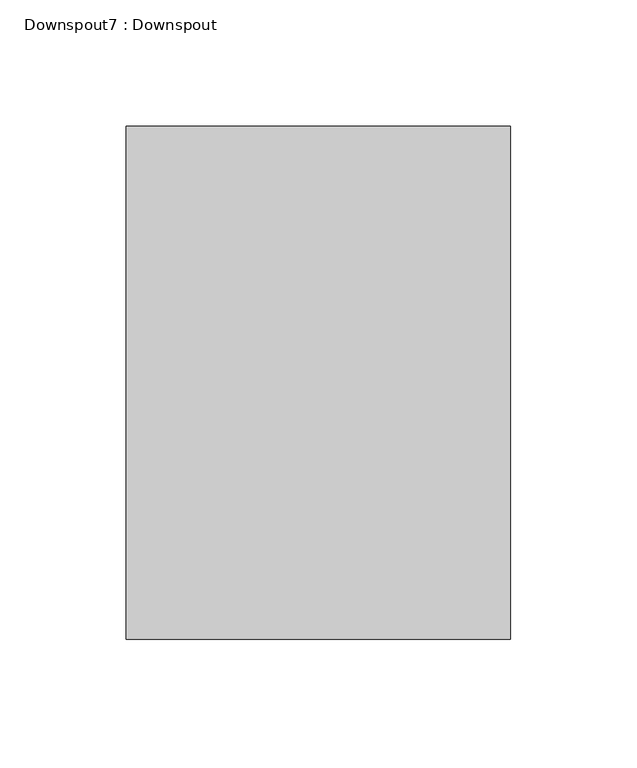
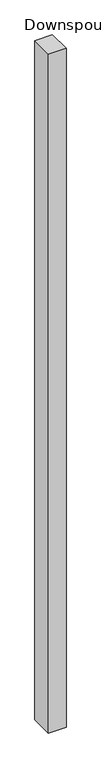
"""IFC4 building model written with IfcOpenShell, lengths in millimetres: proxy geometry, Downspout7 : Downspout."""

from ifc_helpers import new_model, si_unit, frame, origin, place, context, project, spatial, polyline, outline, extrude, source, transform, mapped, element, save


def downspout7_downspout_bde85c23(model_context):
    return source(origin(), model_context, "Body", "SweptSolid", [
        extrude(outline(polyline([(254589.5557747, 274284.3980843), (254741.9557747, 274284.3980843), (254741.9557747, 274081.1980843), (254589.5557747, 274081.1980843), (254589.5557747, 274284.3980843)])), frame((0.0, 0.0, -203.2), z_axis=(0.0, 0.0, 1.0), x_axis=(1.0, 0.0, 0.0)), (0.0, 0.0, 1.0), 6226.6953907),
    ])


if __name__ == "__main__":
    model = new_model("IFC4")
    model_context = context("Model", 3, world=origin())
    ifc_project = project(units=[si_unit("LENGTHUNIT", "METRE", prefix="MILLI")], contexts=[model_context])
    site = spatial("IfcSite", under=ifc_project)
    building = spatial("IfcBuilding", under=site)
    placement = place(None, origin())
    downspout7_downspout_shape = downspout7_downspout_bde85c23(model_context)
    element("IfcBuildingElementProxy", 1, Name="Downspout7 : Downspout", ObjectType="Downspout7 : Downspout", at=placement, inside=building, context=model_context, shape_type="MappedRepresentation", body=[
        mapped(downspout7_downspout_shape, transform((0.0, 0.0, 0.0), x_axis=(1.0, 0.0, 0.0), y_axis=(0.0, 1.0, 0.0), z_axis=(0.0, 0.0, 1.0))),
    ])
    save(model, "model.ifc")
